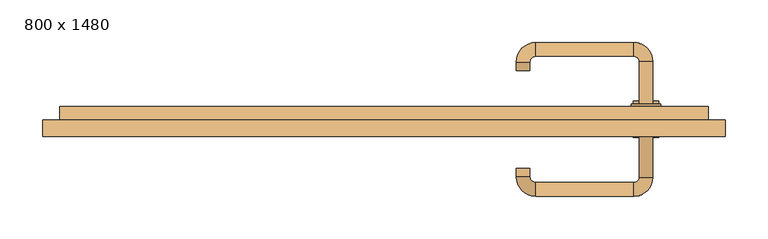
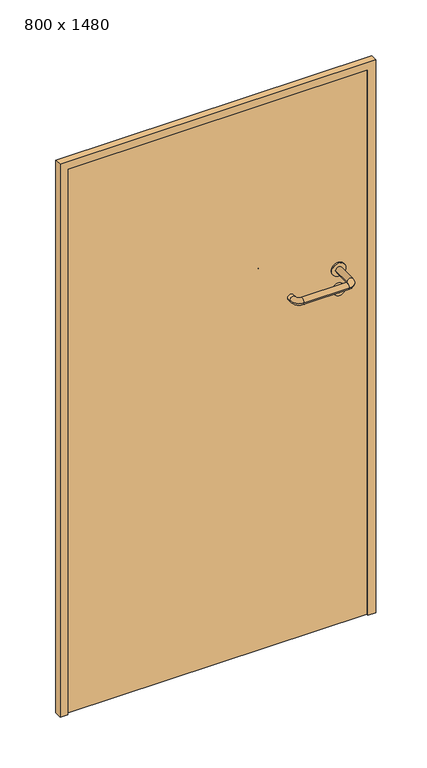
"""IFC4 building model written with IfcOpenShell, lengths in millimetres: door geometry, 800 x 1480."""

from ifc_helpers import new_model, si_unit, point, frame, frame_2d, origin, origin_with_axes, place, context, project, spatial, polyline, circle_curve, ellipse_curve, trimmed, segment, composite_curve, outline, extrude, source, transform, mapped, element, save
from ifc_brep_helpers import plane_surface, cylinder_surface, revolved_surface, advanced_brep


def door_800_x_1480_bf2b8749(model_context):
    return source(origin(), model_context, "Body", "SolidModel", [
        extrude(outline(composite_curve([segment(trimmed(circle_curve(frame_2d((897.3605726, 307.0)), 15.0), [point((897.3605726, 322.0))], [point((897.3605726, 292.0))], False, "CARTESIAN"), True, "CONTINUOUS"), segment(trimmed(circle_curve(frame_2d((897.3605726, 307.0)), 15.0), [point((897.3605726, 292.0))], [point((897.3605726, 322.0))], False, "CARTESIAN"), True, "CONTINUOUS")], self_intersect=False), holes=[composite_curve([segment(trimmed(circle_curve(frame_2d((892.5833211, 306.9398032)), 2.0), [point((892.5833211, 308.9398032))], [point((892.5833211, 304.9398032))], True, "CARTESIAN"), True, "CONTINUOUS"), segment(polyline([(892.5833211, 304.9398032), (902.5833211, 304.9398032)]), True, "CONTINUOUS"), segment(trimmed(circle_curve(frame_2d((902.5833211, 306.9398032)), 2.0), [point((902.5833211, 304.9398032))], [point((902.5833211, 308.9398032))], True, "CARTESIAN"), True, "CONTINUOUS"), segment(polyline([(902.5833211, 308.9398032), (892.5833211, 308.9398032)]), True, "CONTINUOUS")], self_intersect=False)]), frame((0.0, 25.0, 0.0), z_axis=(0.0, 1.0, 0.0), x_axis=(0.0, 0.0, 1.0)), (0.0, 0.0, 1.0), 6.35),
        extrude(outline(composite_curve([segment(trimmed(circle_curve(frame_2d((950.0, 307.0)), 17.526), [point((950.0, 324.526))], [point((950.0, 289.474))], False, "CARTESIAN"), True, "CONTINUOUS"), segment(trimmed(circle_curve(frame_2d((950.0, 307.0)), 17.526), [point((950.0, 289.474))], [point((950.0, 324.526))], False, "CARTESIAN"), True, "CONTINUOUS")], self_intersect=False)), frame((0.0, 25.0, 0.0), z_axis=(0.0, 1.0, 0.0), x_axis=(0.0, 0.0, 1.0)), (0.0, 0.0, 1.0), 3.175),
        advanced_brep(
        [(315.0, 25.0, 950.0), (299.0, 25.0, 950.0), (315.0, 78.0, 950.0), (299.0, 78.0, 950.0), (292.8578644, 84.1421356, 950.0), (292.8578644, 100.1421356, 950.0), (177.8578644, 100.1421356, 950.0), (177.8578644, 84.1421356, 950.0), (171.008622, 77.2928932, 950.0), (155.008622, 77.2928932, 950.0), (155.008622, 67.2928932, 950.0), (171.008622, 67.2928932, 950.0)],
        [
            (0, 1, circle_curve(frame((307.0, 25.0, 950.0), z_axis=(0.0, -1.0, 0.0), x_axis=(-1.0, 0.0, 0.0)), 8.0)),
            (1, 0, circle_curve(frame((307.0, 25.0, 950.0), z_axis=(0.0, -1.0, 0.0), x_axis=(-1.0, 0.0, 0.0)), 8.0)),
            (0, 2),
            (2, 3, circle_curve(frame((307.0, 78.0, 950.0), z_axis=(0.0, -1.0, 0.0), x_axis=(-1.0, 0.0, 0.0)), 8.0)),
            (3, 1),
            (3, 2, circle_curve(frame((307.0, 78.0, 950.0), z_axis=(0.0, -1.0, 0.0), x_axis=(-1.0, 0.0, 0.0)), 8.0)),
            (4, 3, circle_curve(frame((292.8578644, 78.0, 950.0), z_axis=(0.0, 0.0, -1.0), x_axis=(1.0, 0.0, 0.0)), 6.1421356)),
            (2, 5, circle_curve(frame((292.8578644, 78.0, 950.0), z_axis=(0.0, 0.0, 1.0), x_axis=(1.0, 0.0, 0.0)), 22.1421356)),
            (5, 4, circle_curve(frame((292.8578644, 92.1421356, 950.0), z_axis=(1.0, 0.0, 0.0), x_axis=(0.0, -1.0, 0.0)), 8.0)),
            (4, 5, circle_curve(frame((292.8578644, 92.1421356, 950.0), z_axis=(1.0, 0.0, 0.0), x_axis=(0.0, -1.0, 0.0)), 8.0)),
            (5, 6),
            (6, 7, circle_curve(frame((177.8578644, 92.1421356, 950.0), z_axis=(1.0, 0.0, 0.0), x_axis=(0.0, -1.0, 0.0)), 8.0)),
            (7, 4),
            (7, 6, circle_curve(frame((177.8578644, 92.1421356, 950.0), z_axis=(1.0, 0.0, 0.0), x_axis=(0.0, -1.0, 0.0)), 8.0)),
            (8, 7, circle_curve(frame((177.8578644, 77.2928932, 950.0), z_axis=(0.0, 0.0, -1.0), x_axis=(0.0, 1.0, 0.0)), 6.8492424)),
            (6, 9, circle_curve(frame((177.8578644, 77.2928932, 950.0), z_axis=(0.0, 0.0, 1.0), x_axis=(0.0, 1.0, 0.0)), 22.8492424)),
            (9, 8, circle_curve(frame((163.008622, 77.2928932, 950.0), z_axis=(0.0, 1.0, 0.0), x_axis=(1.0, 0.0, 0.0)), 8.0)),
            (8, 9, circle_curve(frame((163.008622, 77.2928932, 950.0), z_axis=(0.0, 1.0, 0.0), x_axis=(1.0, 0.0, 0.0)), 8.0)),
            (10, 11, circle_curve(frame((163.008622, 67.2928932, 950.0), z_axis=(0.0, -1.0, 0.0), x_axis=(1.0, 0.0, 0.0)), 8.0)),
            (11, 10, circle_curve(frame((163.008622, 67.2928932, 950.0), z_axis=(0.0, -1.0, 0.0), x_axis=(1.0, 0.0, 0.0)), 8.0)),
            (9, 10),
            (11, 8),
        ],
        [
            plane_surface(frame((307.0, 25.0, 0.0), z_axis=(0.0, -1.0, 0.0), x_axis=(0.0, 0.0, 1.0))),
            cylinder_surface(frame((307.0, 25.0, 950.0), z_axis=(0.0, -1.0, 0.0), x_axis=(-1.0, 0.0, 0.0)), 8.0),
            revolved_surface(trimmed(ellipse_curve(frame((307.0, 78.0, 950.0), z_axis=(0.0, -1.0, 0.0), x_axis=(-1.0, 0.0, 0.0)), 8.0, 8.0), [point((315.0, 78.0, 950.0))], [point((299.0, 78.0, 950.0))], True, "CARTESIAN"), (292.8578644, 78.0, 0.0), (0.0, 0.0, 1.0)),
            revolved_surface(trimmed(ellipse_curve(frame((307.0, 78.0, 950.0), z_axis=(0.0, -1.0, 0.0), x_axis=(-1.0, 0.0, 0.0)), 8.0, 8.0), [point((299.0, 78.0, 950.0))], [point((315.0, 78.0, 950.0))], True, "CARTESIAN"), (292.8578644, 78.0, 0.0), (0.0, 0.0, 1.0)),
            cylinder_surface(frame((292.8578644, 92.1421356, 950.0), z_axis=(1.0, 0.0, 0.0), x_axis=(0.0, -1.0, 0.0)), 8.0),
            revolved_surface(trimmed(ellipse_curve(frame((177.8578644, 92.1421356, 950.0), z_axis=(1.0, 0.0, 0.0), x_axis=(0.0, -1.0, 0.0)), 8.0, 8.0), [point((177.8578644, 100.1421356, 950.0))], [point((177.8578644, 84.1421356, 950.0))], True, "CARTESIAN"), (177.8578644, 77.2928932, 0.0), (0.0, 0.0, 1.0)),
            revolved_surface(trimmed(ellipse_curve(frame((177.8578644, 92.1421356, 950.0), z_axis=(1.0, 0.0, 0.0), x_axis=(0.0, -1.0, 0.0)), 8.0, 8.0), [point((177.8578644, 84.1421356, 950.0))], [point((177.8578644, 100.1421356, 950.0))], True, "CARTESIAN"), (177.8578644, 77.2928932, 0.0), (0.0, 0.0, 1.0)),
            plane_surface(frame((163.008622, 67.2928932, 0.0), z_axis=(0.0, -1.0, 0.0), x_axis=(0.0, 0.0, 1.0))),
            cylinder_surface(frame((163.008622, 77.2928932, 950.0), z_axis=(0.0, 1.0, 0.0), x_axis=(1.0, 0.0, 0.0)), 8.0),
        ],
        [
            (0, [[1, 2]]),
            (1, [[-1, 3, 4, 5]]),
            (1, [[-2, -5, 6, -3]]),
            (2, [[7, -4, 8, 9]]),
            (3, [[-8, -6, -7, 10]]),
            (4, [[-9, 11, 12, 13]]),
            (4, [[-10, -13, 14, -11]]),
            (5, [[15, -12, 16, 17]]),
            (6, [[-16, -14, -15, 18]]),
            (7, [[19, 20]]),
            (8, [[-17, 21, -20, 22]]),
            (8, [[-18, -22, -19, -21]]),
        ],
    ),
        extrude(outline(composite_curve([segment(trimmed(circle_curve(frame_2d((0.0, 15.0)), 15.0), [point((0.0, 30.0))], [point((0.0, 0.0))], False, "CARTESIAN"), True, "CONTINUOUS"), segment(trimmed(circle_curve(frame_2d((0.0, 15.0)), 15.0), [point((0.0, 0.0))], [point((0.0, 30.0))], False, "CARTESIAN"), True, "CONTINUOUS")], self_intersect=False), holes=[composite_curve([segment(trimmed(circle_curve(frame_2d((-4.7772515, 14.9398032)), 2.0), [point((-4.7772515, 16.9398032))], [point((-4.7772515, 12.9398032))], True, "CARTESIAN"), True, "CONTINUOUS"), segment(polyline([(-4.7772515, 12.9398032), (5.2227485, 12.9398032)]), True, "CONTINUOUS"), segment(trimmed(circle_curve(frame_2d((5.2227485, 14.9398032)), 2.0), [point((5.2227485, 12.9398032))], [point((5.2227485, 16.9398032))], True, "CARTESIAN"), True, "CONTINUOUS"), segment(polyline([(5.2227485, 16.9398032), (-4.7772515, 16.9398032)]), True, "CONTINUOUS")], self_intersect=False)]), frame((292.0, -11.35, 897.3605726), z_axis=(-1.8870575173328306e-12, 1.0, 0.0), x_axis=(0.0, 0.0, 1.0)), (0.0, 0.0, 1.0), 6.35),
        extrude(outline(composite_curve([segment(trimmed(circle_curve(frame_2d((0.0, 17.526)), 17.526), [point((0.0, 35.052))], [point((0.0, 0.0))], False, "CARTESIAN"), True, "CONTINUOUS"), segment(trimmed(circle_curve(frame_2d((0.0, 17.526)), 17.526), [point((0.0, 0.0))], [point((0.0, 35.052))], False, "CARTESIAN"), True, "CONTINUOUS")], self_intersect=False)), frame((289.474, -8.175, 950.0), z_axis=(-1.8870575173328306e-12, 1.0, 0.0), x_axis=(0.0, 0.0, 1.0)), (0.0, 0.0, 1.0), 3.175),
        advanced_brep(
        [(315.0, -5.0, 950.0), (299.0, -5.0, 950.0), (299.0, -58.0, 950.0), (315.0, -58.0, 950.0), (292.8578644, -64.1421356, 950.0), (292.8578644, -80.1421356, 950.0), (177.8578644, -64.1421356, 950.0), (177.8578644, -80.1421356, 950.0), (171.008622, -57.2928932, 950.0), (155.008622, -57.2928932, 950.0), (155.008622, -47.2928932, 950.0), (171.008622, -47.2928932, 950.0)],
        [
            (0, 1, circle_curve(frame((307.0, -5.0, 950.0), z_axis=(-1.888672253512351e-12, 1.0, 0.0), x_axis=(-1.0, -1.888672253512351e-12, 0.0)), 8.0)),
            (1, 0, circle_curve(frame((307.0, -5.0, 950.0), z_axis=(-1.888672253512351e-12, 1.0, 0.0), x_axis=(-1.0, -1.888672253512351e-12, 0.0)), 8.0)),
            (1, 2),
            (2, 3, circle_curve(frame((307.0, -58.0, 950.0), z_axis=(-1.888672253512351e-12, 1.0, 0.0), x_axis=(-1.0, -1.888672253512351e-12, 0.0)), 8.0)),
            (3, 0),
            (3, 2, circle_curve(frame((307.0, -58.0, 950.0), z_axis=(-1.888672253512351e-12, 1.0, 0.0), x_axis=(-1.0, -1.888672253512351e-12, 0.0)), 8.0)),
            (4, 5, circle_curve(frame((292.8578644, -72.1421356, 950.0), z_axis=(1.0, 1.913702061528922e-12, 0.0), x_axis=(-1.913702061528922e-12, 1.0, 0.0)), 8.0)),
            (5, 3, circle_curve(frame((292.8578644, -58.0, 950.0), z_axis=(0.0, 0.0, 1.0), x_axis=(1.0, 1.880717803715015e-12, 0.0)), 22.1421356)),
            (2, 4, circle_curve(frame((292.8578644, -58.0, 950.0), z_axis=(0.0, 0.0, -1.0), x_axis=(1.0, 1.880717803715015e-12, 0.0)), 6.1421356)),
            (5, 4, circle_curve(frame((292.8578644, -72.1421356, 950.0), z_axis=(1.0, 1.913702061528922e-12, 0.0), x_axis=(-1.913702061528922e-12, 1.0, 0.0)), 8.0)),
            (4, 6),
            (6, 7, circle_curve(frame((177.8578644, -72.1421356, 950.0), z_axis=(1.0, 1.913719828541269e-12, 0.0), x_axis=(-1.913719828541269e-12, 1.0, 0.0)), 8.0)),
            (7, 5),
            (7, 6, circle_curve(frame((177.8578644, -72.1421356, 950.0), z_axis=(1.0, 1.913719828541269e-12, 0.0), x_axis=(-1.913719828541269e-12, 1.0, 0.0)), 8.0)),
            (8, 9, circle_curve(frame((163.008622, -57.2928932, 950.0), z_axis=(1.8888942981172756e-12, -1.0, 0.0), x_axis=(1.0, 1.8888942981172756e-12, 0.0)), 8.0)),
            (9, 7, circle_curve(frame((177.8578644, -57.2928932, 950.0), z_axis=(0.0, 0.0, 1.0), x_axis=(1.9120873253494017e-12, -1.0, 0.0)), 22.8492424)),
            (6, 8, circle_curve(frame((177.8578644, -57.2928932, 950.0), z_axis=(0.0, 0.0, -1.0), x_axis=(1.9120873253494017e-12, -1.0, 0.0)), 6.8492424)),
            (9, 8, circle_curve(frame((163.008622, -57.2928932, 950.0), z_axis=(1.890448610351751e-12, -1.0, 0.0), x_axis=(1.0, 1.890448610351751e-12, 0.0)), 8.0)),
            (10, 11, circle_curve(frame((163.008622, -47.2928932, 950.0), z_axis=(-1.8903642334018795e-12, 1.0, 0.0), x_axis=(1.0, 1.8903642334018795e-12, 0.0)), 8.0)),
            (11, 10, circle_curve(frame((163.008622, -47.2928932, 950.0), z_axis=(-1.8903642334018795e-12, 1.0, 0.0), x_axis=(1.0, 1.8903642334018795e-12, 0.0)), 8.0)),
            (8, 11),
            (10, 9),
        ],
        [
            plane_surface(frame((307.0, -5.0, 0.0), z_axis=(-1.8870575173328306e-12, 1.0, 0.0), x_axis=(0.0, 0.0, 1.0))),
            cylinder_surface(frame((307.0, -5.0, 950.0), z_axis=(-1.888672253512351e-12, 1.0, 0.0), x_axis=(-1.0, -1.888672253512351e-12, 0.0)), 8.0),
            revolved_surface(trimmed(ellipse_curve(frame((307.0, -58.0, 950.0), z_axis=(1.8823325398945356e-12, -1.0, 0.0), x_axis=(-1.0, -1.8823325398945356e-12, 0.0)), 8.0, 8.0), [point((315.0, -58.0, 950.0))], [point((299.0, -58.0, 950.0))], True, "CARTESIAN"), (292.8578644, -58.0, 0.0), (0.0, 0.0, 1.0)),
            revolved_surface(trimmed(ellipse_curve(frame((307.0, -58.0, 950.0), z_axis=(1.8823325398945356e-12, -1.0, 0.0), x_axis=(-1.0, -1.8823325398945356e-12, 0.0)), 8.0, 8.0), [point((299.0, -58.0, 950.0))], [point((315.0, -58.0, 950.0))], True, "CARTESIAN"), (292.8578644, -58.0, 0.0), (0.0, 0.0, 1.0)),
            cylinder_surface(frame((292.8578644, -72.1421356, 950.0), z_axis=(1.0, 1.913719828541269e-12, 0.0), x_axis=(-1.913719828541269e-12, 1.0, 0.0)), 8.0),
            revolved_surface(trimmed(ellipse_curve(frame((177.8578644, -72.1421356, 950.0), z_axis=(-1.0, -1.913702061528922e-12, 0.0), x_axis=(-1.913702061528922e-12, 1.0, 0.0)), 8.0, 8.0), [point((177.8578644, -80.1421356, 950.0))], [point((177.8578644, -64.1421356, 950.0))], True, "CARTESIAN"), (177.8578644, -57.2928932, 0.0), (0.0, 0.0, 1.0)),
            revolved_surface(trimmed(ellipse_curve(frame((177.8578644, -72.1421356, 950.0), z_axis=(-1.0, -1.913702061528922e-12, 0.0), x_axis=(-1.913702061528922e-12, 1.0, 0.0)), 8.0, 8.0), [point((177.8578644, -64.1421356, 950.0))], [point((177.8578644, -80.1421356, 950.0))], True, "CARTESIAN"), (177.8578644, -57.2928932, 0.0), (0.0, 0.0, 1.0)),
            plane_surface(frame((163.008622, -47.2928932, 0.0), z_axis=(-1.8887494972223595e-12, 1.0, 0.0), x_axis=(0.0, 0.0, 1.0))),
            cylinder_surface(frame((163.008622, -57.2928932, 950.0), z_axis=(1.8903642334018795e-12, -1.0, 0.0), x_axis=(1.0, 1.8903642334018795e-12, 0.0)), 8.0),
        ],
        [
            (0, [[1, 2]]),
            (1, [[3, 4, 5, -2]]),
            (1, [[-5, 6, -3, -1]]),
            (2, [[7, 8, -4, 9]]),
            (3, [[10, -9, -6, -8]]),
            (4, [[11, 12, 13, -7]]),
            (4, [[-13, 14, -11, -10]]),
            (5, [[15, 16, -12, 17]]),
            (6, [[18, -17, -14, -16]]),
            (7, [[19, 20]]),
            (8, [[21, -19, 22, -15]]),
            (8, [[-22, -20, -21, -18]]),
        ],
    ),
        extrude(outline(polyline([(1460.0, 380.0), (0.0, 380.0), (0.0, 400.0), (1480.0, 400.0), (1480.0, -400.0), (0.0, -400.0), (0.0, -380.0), (1460.0, -380.0), (1460.0, 380.0)])), frame((0.0, -10.0, 0.0), z_axis=(0.0, 1.0, 0.0), x_axis=(0.0, 0.0, 1.0)), (0.0, 0.0, 1.0), 19.0),
        extrude(outline(polyline([(-380.0, -5.0), (-380.0, 25.0), (380.0, 25.0), (380.0, -5.0), (-380.0, -5.0)])), origin_with_axes(), (0.0, 0.0, 1.0), 1460.0),
    ])


if __name__ == "__main__":
    model = new_model("IFC4")
    model_context = context("Model", 3, world=origin())
    ifc_project = project(units=[si_unit("LENGTHUNIT", "METRE", prefix="MILLI")], contexts=[model_context])
    site = spatial("IfcSite", under=ifc_project)
    building = spatial("IfcBuilding", under=site)
    placement = place(None, origin())
    door_800_x_1480_shape = door_800_x_1480_bf2b8749(model_context)
    element("IfcDoor", 1, ObjectType="800 x 1480", at=placement, inside=building, context=model_context, shape_type="MappedRepresentation", body=[
        mapped(door_800_x_1480_shape, transform((0.0, 0.0, 0.0), x_axis=(1.0, 0.0, 0.0), y_axis=(0.0, 1.0, 0.0), z_axis=(0.0, 0.0, 1.0))),
    ])
    save(model, "model.ifc")
